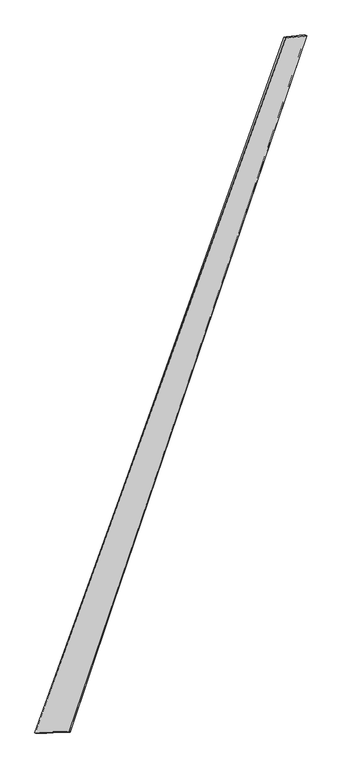
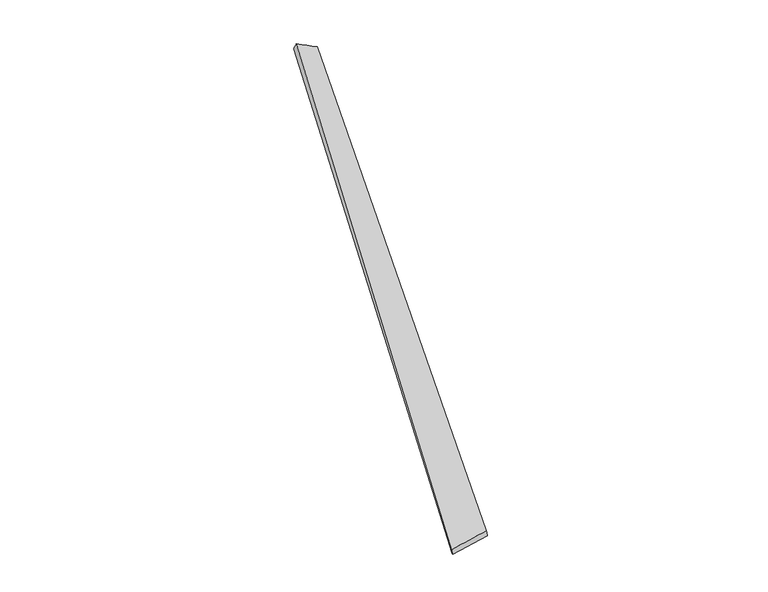
"""IFC4 building model written with IfcOpenShell, lengths in millimetres: proxy geometry."""

from ifc_helpers import new_model, si_unit, origin, place, context, project, spatial, source, transform, mapped, element, save
from ifc_brep_helpers import spline_surface, advanced_brep


def generic_models_d2c5d656(model_context):
    return source(origin(), model_context, "Body", "AdvancedBrep", [
        advanced_brep(
        [(-734.7803232, -1861.4434854, -19.6775957), (-741.6386568, -1859.3777376, 9.4547908), (736.5144606, 2227.0307273, 60.0924829), (723.6951495, 2231.9442481, 33.4181024), (-538.7402651, -1853.284429, 49.1516033), (861.4858934, 2239.5603462, -8.7999825), (-533.955476, -1855.2753068, 19.6026237), (845.0406498, 2244.7745442, -33.3431303)],
        [
            (0, 1),
            (1, 2),
            (2, 3),
            (3, 0),
            (1, 4),
            (4, 5),
            (5, 2),
            (4, 6),
            (6, 7),
            (7, 5),
            (6, 0),
            (3, 7),
        ],
        [
            spline_surface(1, 1, [[(-734.7803232, -1861.4434854, -19.6775957), (723.6951495, 2231.9442481, 33.4181024)], [(-741.6386568, -1859.3777376, 9.4547908), (736.5144606, 2227.0307273, 60.0924829)]], [2, 2], [2, 2], [0.0, 1.0], [0.0, 1.0]),
            spline_surface(1, 1, [[(-741.6386568, -1859.3777376, 9.4547908), (736.5144606, 2227.0307273, 60.0924829)], [(-538.7402651, -1853.284429, 49.1516033), (861.4858934, 2239.5603462, -8.7999825)]], [2, 2], [2, 2], [0.0, 1.0], [0.0, 1.0]),
            spline_surface(1, 1, [[(-538.7402651, -1853.284429, 49.1516033), (861.4858934, 2239.5603462, -8.7999825)], [(-533.955476, -1855.2753068, 19.6026237), (845.0406498, 2244.7745442, -33.3431303)]], [2, 2], [2, 2], [0.0, 1.0], [0.0, 1.0]),
            spline_surface(1, 1, [[(-533.955476, -1855.2753068, 19.6026237), (845.0406498, 2244.7745442, -33.3431303)], [(-734.7803232, -1861.4434854, -19.6775957), (723.6951495, 2231.9442481, 33.4181024)]], [2, 2], [2, 2], [0.0, 1.0], [0.0, 1.0]),
            spline_surface(1, 1, [[(736.5144606, 2227.0307273, 60.0924829), (723.6951495, 2231.9442481, 33.4181024)], [(861.4858934, 2239.5603462, -8.7999825), (845.0406498, 2244.7745442, -33.3431303)]], [2, 2], [2, 2], [0.0, 1.0], [0.0, 1.0]),
            spline_surface(1, 1, [[(-533.955476, -1855.2753068, 19.6026237), (-734.7803232, -1861.4434854, -19.6775957)], [(-538.7402651, -1853.284429, 49.1516033), (-741.6386568, -1859.3777376, 9.4547908)]], [2, 2], [2, 2], [0.0, 1.0], [0.0, 1.0]),
        ],
        [
            (0, [[1, 2, 3, 4]]),
            (1, [[5, 6, 7, -2]]),
            (2, [[8, 9, 10, -6]]),
            (3, [[11, -4, 12, -9]]),
            (4, [[-3, -7, -10, -12]]),
            (5, [[-11, -8, -5, -1]]),
        ],
    ),
    ])


if __name__ == "__main__":
    model = new_model("IFC4")
    model_context = context("Model", 3, world=origin())
    ifc_project = project(units=[si_unit("LENGTHUNIT", "METRE", prefix="MILLI")], contexts=[model_context])
    site = spatial("IfcSite", under=ifc_project)
    building = spatial("IfcBuilding", under=site)
    placement = place(None, origin())
    generic_models_shape = generic_models_d2c5d656(model_context)
    element("IfcBuildingElementProxy", 1, Name="Generic Models", at=placement, inside=building, context=model_context, shape_type="MappedRepresentation", body=[
        mapped(generic_models_shape, transform((0.0, 0.0, 0.0), x_axis=(1.0, 0.0, 0.0), y_axis=(0.0, 1.0, 0.0), z_axis=(0.0, 0.0, 1.0))),
    ])
    save(model, "model.ifc")
